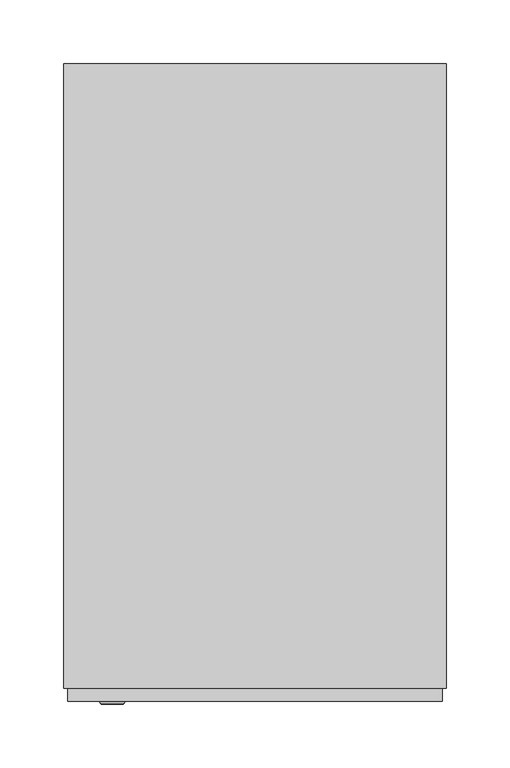
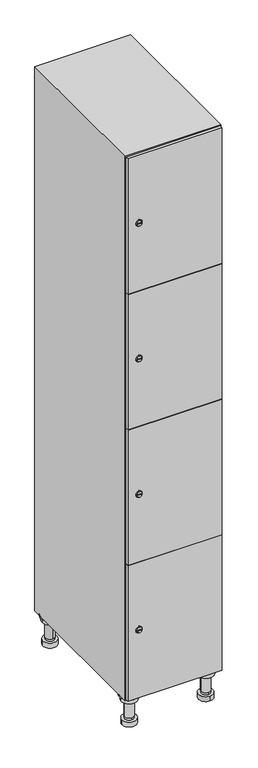
"""IFC4 building model written with IfcOpenShell, lengths in millimetres: furniture geometry."""

from ifc_helpers import new_model, si_unit, point, frame, frame_2d, origin, place, context, project, spatial, polyline, circle_curve, trimmed, segment, composite_curve, outline, extrude, faceted_brep, source, transform, mapped, element, save
from ifc_brep_helpers import plane_surface, cylinder_surface, revolved_surface, advanced_brep


def furniture_d237d1a3(model_context):
    return source(origin(), model_context, "Body", "SolidModel", [
        advanced_brep(
        [(70.0, -201.0, 22.0), (70.0, -201.5, 16.0), (70.0, -228.5, 16.0), (70.0, -229.0, 22.0), (56.0, -215.0, 22.0), (84.0, -215.0, 22.0), (70.0, -192.5, 16.0), (70.0, -237.5, 16.0), (70.0, -192.5, 0.0), (70.0, -237.5, 0.0), (84.0, -215.0, 78.0), (56.0, -215.0, 78.0), (95.0, -215.0, 78.0), (45.0, -215.0, 78.0), (100.0, -215.0, 94.0), (40.0, -215.0, 94.0), (45.0, -215.0, 94.0), (95.0, -215.0, 94.0), (100.0, -215.0, 100.0), (40.0, -215.0, 100.0)],
        [
            (0, 1),
            (1, 2, circle_curve(frame((70.0, -215.0, 16.0), z_axis=(0.0, 0.0, 1.0), x_axis=(0.0, -1.0, 0.0)), 13.5)),
            (2, 3),
            (3, 4, circle_curve(frame((70.0, -215.0, 22.0), z_axis=(0.0, 0.0, -1.0), x_axis=(0.0, -1.0, 0.0)), 14.0)),
            (4, 0, circle_curve(frame((70.0, -215.0, 22.0), z_axis=(0.0, 0.0, -1.0), x_axis=(0.0, -1.0, 0.0)), 14.0)),
            (0, 5, circle_curve(frame((70.0, -215.0, 22.0), z_axis=(0.0, 0.0, -1.0), x_axis=(0.0, 1.0, 0.0)), 14.0)),
            (5, 3, circle_curve(frame((70.0, -215.0, 22.0), z_axis=(0.0, 0.0, -1.0), x_axis=(0.0, 1.0, 0.0)), 14.0)),
            (2, 1, circle_curve(frame((70.0, -215.0, 16.0), z_axis=(0.0, 0.0, 1.0), x_axis=(0.0, 1.0, 0.0)), 13.5)),
            (6, 7, circle_curve(frame((70.0, -215.0, 16.0), z_axis=(0.0, 0.0, 1.0), x_axis=(0.0, -1.0, 0.0)), 22.5)),
            (7, 6, circle_curve(frame((70.0, -215.0, 16.0), z_axis=(0.0, 0.0, 1.0), x_axis=(0.0, -1.0, 0.0)), 22.5)),
            (8, 9, circle_curve(frame((70.0, -215.0, 0.0), z_axis=(0.0, 0.0, -1.0), x_axis=(0.0, -1.0, 0.0)), 22.5)),
            (9, 8, circle_curve(frame((70.0, -215.0, 0.0), z_axis=(0.0, 0.0, -1.0), x_axis=(0.0, -1.0, 0.0)), 22.5)),
            (6, 8),
            (9, 7),
            (5, 10),
            (10, 11, circle_curve(frame((70.0, -215.0, 78.0), z_axis=(0.0, 0.0, -1.0), x_axis=(-1.0, 0.0, 0.0)), 14.0)),
            (11, 4),
            (11, 10, circle_curve(frame((70.0, -215.0, 78.0), z_axis=(0.0, 0.0, -1.0), x_axis=(-1.0, 0.0, 0.0)), 14.0)),
            (12, 13, circle_curve(frame((70.0, -215.0, 78.0), z_axis=(0.0, 0.0, -1.0), x_axis=(-1.0, 0.0, 0.0)), 25.0)),
            (13, 12, circle_curve(frame((70.0, -215.0, 78.0), z_axis=(0.0, 0.0, -1.0), x_axis=(-1.0, 0.0, 0.0)), 25.0)),
            (14, 15, circle_curve(frame((70.0, -215.0, 94.0), z_axis=(0.0, 0.0, -1.0), x_axis=(-1.0, 0.0, 0.0)), 30.0)),
            (15, 14, circle_curve(frame((70.0, -215.0, 94.0), z_axis=(0.0, 0.0, -1.0), x_axis=(-1.0, 0.0, 0.0)), 30.0)),
            (16, 17, circle_curve(frame((70.0, -215.0, 94.0), z_axis=(0.0, 0.0, 1.0), x_axis=(-1.0, 0.0, 0.0)), 25.0)),
            (17, 16, circle_curve(frame((70.0, -215.0, 94.0), z_axis=(0.0, 0.0, 1.0), x_axis=(-1.0, 0.0, 0.0)), 25.0)),
            (18, 19, circle_curve(frame((70.0, -215.0, 100.0), z_axis=(0.0, 0.0, 1.0), x_axis=(-1.0, 0.0, 0.0)), 30.0)),
            (19, 18, circle_curve(frame((70.0, -215.0, 100.0), z_axis=(0.0, 0.0, 1.0), x_axis=(-1.0, 0.0, 0.0)), 30.0)),
            (14, 18),
            (19, 15),
            (12, 17),
            (16, 13),
        ],
        [
            revolved_surface(polyline([(70.0, -201.5, 16.0), (70.0, -201.0, 22.0)]), (70.0, -215.0, -146.0), (0.0, 0.0, 1.0)),
            plane_surface(frame((70.0, 0.0, 16.0), z_axis=(0.0, 0.0, 1.0), x_axis=(0.0, -1.0, 0.0))),
            plane_surface(frame((70.0, 0.0, 0.0), z_axis=(0.0, 0.0, -1.0), x_axis=(0.0, -1.0, 0.0))),
            cylinder_surface(frame((70.0, -215.0, 16.0), z_axis=(0.0, 0.0, 1.0), x_axis=(0.0, -1.0, 0.0)), 22.5),
            cylinder_surface(frame((70.0, -215.0, 22.0), z_axis=(0.0, 0.0, -1.0), x_axis=(-1.0, 0.0, 0.0)), 14.0),
            plane_surface(frame((70.0, 0.0, 78.0), z_axis=(0.0, 0.0, -1.0), x_axis=(0.0, -1.0, 0.0))),
            plane_surface(frame((70.0, 0.0, 94.0), z_axis=(0.0, 0.0, -1.0), x_axis=(0.0, -1.0, 0.0))),
            plane_surface(frame((70.0, 0.0, 100.0), z_axis=(0.0, 0.0, 1.0), x_axis=(0.0, -1.0, 0.0))),
            cylinder_surface(frame((70.0, -215.0, 94.0), z_axis=(0.0, 0.0, -1.0), x_axis=(-1.0, 0.0, 0.0)), 30.0),
            cylinder_surface(frame((70.0, -215.0, 78.0), z_axis=(0.0, 0.0, -1.0), x_axis=(-1.0, 0.0, 0.0)), 25.0),
        ],
        [
            (0, [[1, 2, 3, 4, 5]]),
            (0, [[-1, 6, 7, -3, 8]]),
            (1, [[9, 10], [-2, -8]]),
            (2, [[11, 12]]),
            (3, [[-9, 13, -12, 14]]),
            (3, [[-10, -14, -11, -13]]),
            (4, [[15, 16, 17, -4, -7]]),
            (4, [[-15, -6, -5, -17, 18]]),
            (5, [[19, 20], [-16, -18]]),
            (6, [[21, 22], [23, 24]]),
            (7, [[25, 26]]),
            (8, [[-21, 27, -26, 28]]),
            (8, [[-22, -28, -25, -27]]),
            (9, [[-19, 29, -23, 30]]),
            (9, [[-20, -30, -24, -29]]),
        ],
    ),
        advanced_brep(
        [(-170.0, -201.0, 22.0), (-170.0, -201.5, 16.0), (-170.0, -228.5, 16.0), (-170.0, -229.0, 22.0), (-184.0, -215.0, 22.0), (-156.0, -215.0, 22.0), (-147.5, -215.0, 0.0), (-192.5, -215.0, 0.0), (-147.5, -215.0, 16.0), (-192.5, -215.0, 16.0), (-156.0, -215.0, 78.0), (-184.0, -215.0, 78.0), (-145.0, -215.0, 78.0), (-195.0, -215.0, 78.0), (-140.0, -215.0, 94.0), (-200.0, -215.0, 94.0), (-195.0, -215.0, 94.0), (-145.0, -215.0, 94.0), (-140.0, -215.0, 100.0), (-200.0, -215.0, 100.0)],
        [
            (0, 1),
            (1, 2, circle_curve(frame((-170.0, -215.0, 16.0), z_axis=(0.0, 0.0, 1.0), x_axis=(0.0, -1.0, 0.0)), 13.5)),
            (2, 3),
            (3, 4, circle_curve(frame((-170.0, -215.0, 22.0), z_axis=(0.0, 0.0, -1.0), x_axis=(0.0, -1.0, 0.0)), 14.0)),
            (4, 0, circle_curve(frame((-170.0, -215.0, 22.0), z_axis=(0.0, 0.0, -1.0), x_axis=(0.0, -1.0, 0.0)), 14.0)),
            (0, 5, circle_curve(frame((-170.0, -215.0, 22.0), z_axis=(0.0, 0.0, -1.0), x_axis=(0.0, 1.0, 0.0)), 14.0)),
            (5, 3, circle_curve(frame((-170.0, -215.0, 22.0), z_axis=(0.0, 0.0, -1.0), x_axis=(0.0, 1.0, 0.0)), 14.0)),
            (2, 1, circle_curve(frame((-170.0, -215.0, 16.0), z_axis=(0.0, 0.0, 1.0), x_axis=(0.0, 1.0, 0.0)), 13.5)),
            (6, 7, circle_curve(frame((-170.0, -215.0, 0.0), z_axis=(0.0, 0.0, -1.0), x_axis=(-1.0, 0.0, 0.0)), 22.5)),
            (7, 6, circle_curve(frame((-170.0, -215.0, 0.0), z_axis=(0.0, 0.0, -1.0), x_axis=(-1.0, 0.0, 0.0)), 22.5)),
            (8, 9, circle_curve(frame((-170.0, -215.0, 16.0), z_axis=(0.0, 0.0, 1.0), x_axis=(-1.0, 0.0, 0.0)), 22.5)),
            (9, 8, circle_curve(frame((-170.0, -215.0, 16.0), z_axis=(0.0, 0.0, 1.0), x_axis=(-1.0, 0.0, 0.0)), 22.5)),
            (6, 8),
            (9, 7),
            (5, 10),
            (10, 11, circle_curve(frame((-170.0, -215.0, 78.0), z_axis=(0.0, 0.0, -1.0), x_axis=(-1.0, 0.0, 0.0)), 14.0)),
            (11, 4),
            (11, 10, circle_curve(frame((-170.0, -215.0, 78.0), z_axis=(0.0, 0.0, -1.0), x_axis=(-1.0, 0.0, 0.0)), 14.0)),
            (12, 13, circle_curve(frame((-170.0, -215.0, 78.0), z_axis=(0.0, 0.0, -1.0), x_axis=(-1.0, 0.0, 0.0)), 25.0)),
            (13, 12, circle_curve(frame((-170.0, -215.0, 78.0), z_axis=(0.0, 0.0, -1.0), x_axis=(-1.0, 0.0, 0.0)), 25.0)),
            (14, 15, circle_curve(frame((-170.0, -215.0, 94.0), z_axis=(0.0, 0.0, -1.0), x_axis=(-1.0, 0.0, 0.0)), 30.0)),
            (15, 14, circle_curve(frame((-170.0, -215.0, 94.0), z_axis=(0.0, 0.0, -1.0), x_axis=(-1.0, 0.0, 0.0)), 30.0)),
            (16, 17, circle_curve(frame((-170.0, -215.0, 94.0), z_axis=(0.0, 0.0, 1.0), x_axis=(-1.0, 0.0, 0.0)), 25.0)),
            (17, 16, circle_curve(frame((-170.0, -215.0, 94.0), z_axis=(0.0, 0.0, 1.0), x_axis=(-1.0, 0.0, 0.0)), 25.0)),
            (18, 19, circle_curve(frame((-170.0, -215.0, 100.0), z_axis=(0.0, 0.0, 1.0), x_axis=(-1.0, 0.0, 0.0)), 30.0)),
            (19, 18, circle_curve(frame((-170.0, -215.0, 100.0), z_axis=(0.0, 0.0, 1.0), x_axis=(-1.0, 0.0, 0.0)), 30.0)),
            (14, 18),
            (19, 15),
            (12, 17),
            (16, 13),
        ],
        [
            revolved_surface(polyline([(-170.0, -201.5, 16.0), (-170.0, -201.0, 22.0)]), (-170.0, -215.0, -146.0), (0.0, 0.0, 1.0)),
            plane_surface(frame((-170.0, 0.0, 0.0), z_axis=(0.0, 0.0, -1.0), x_axis=(0.0, -1.0, 0.0))),
            plane_surface(frame((-170.0, 0.0, 16.0), z_axis=(0.0, 0.0, 1.0), x_axis=(0.0, -1.0, 0.0))),
            cylinder_surface(frame((-170.0, -215.0, 0.0), z_axis=(0.0, 0.0, -1.0), x_axis=(-1.0, 0.0, 0.0)), 22.5),
            cylinder_surface(frame((-170.0, -215.0, 22.0), z_axis=(0.0, 0.0, -1.0), x_axis=(-1.0, 0.0, 0.0)), 14.0),
            plane_surface(frame((-170.0, 0.0, 78.0), z_axis=(0.0, 0.0, -1.0), x_axis=(0.0, -1.0, 0.0))),
            plane_surface(frame((-170.0, 0.0, 94.0), z_axis=(0.0, 0.0, -1.0), x_axis=(0.0, -1.0, 0.0))),
            plane_surface(frame((-170.0, 0.0, 100.0), z_axis=(0.0, 0.0, 1.0), x_axis=(0.0, -1.0, 0.0))),
            cylinder_surface(frame((-170.0, -215.0, 94.0), z_axis=(0.0, 0.0, -1.0), x_axis=(-1.0, 0.0, 0.0)), 30.0),
            cylinder_surface(frame((-170.0, -215.0, 78.0), z_axis=(0.0, 0.0, -1.0), x_axis=(-1.0, 0.0, 0.0)), 25.0),
        ],
        [
            (0, [[1, 2, 3, 4, 5]]),
            (0, [[-1, 6, 7, -3, 8]]),
            (1, [[9, 10]]),
            (2, [[11, 12], [-2, -8]]),
            (3, [[-9, 13, -12, 14]]),
            (3, [[-10, -14, -11, -13]]),
            (4, [[15, 16, 17, -4, -7]]),
            (4, [[-15, -6, -5, -17, 18]]),
            (5, [[19, 20], [-16, -18]]),
            (6, [[21, 22], [23, 24]]),
            (7, [[25, 26]]),
            (8, [[-21, 27, -26, 28]]),
            (8, [[-22, -28, -25, -27]]),
            (9, [[-19, 29, -23, 30]]),
            (9, [[-20, -30, -24, -29]]),
        ],
    ),
        advanced_brep(
        [(83.5, 215.0, 16.0), (84.0, 215.0, 22.0), (56.0, 215.0, 22.0), (56.5, 215.0, 16.0), (92.5, 215.0, 0.0), (47.5, 215.0, 0.0), (92.5, 215.0, 16.0), (47.5, 215.0, 16.0), (84.0, 215.0, 78.0), (56.0, 215.0, 78.0), (95.0, 215.0, 78.0), (45.0, 215.0, 78.0), (100.0, 215.0, 94.0), (40.0, 215.0, 94.0), (45.0, 215.0, 94.0), (95.0, 215.0, 94.0), (100.0, 215.0, 100.0), (40.0, 215.0, 100.0)],
        [
            (0, 1),
            (1, 2, circle_curve(frame((70.0, 215.0, 22.0), z_axis=(0.0, 0.0, -1.0), x_axis=(-1.0, 0.0, 0.0)), 14.0)),
            (2, 3),
            (3, 0, circle_curve(frame((70.0, 215.0, 16.0), z_axis=(0.0, 0.0, 1.0), x_axis=(-1.0, 0.0, 0.0)), 13.5)),
            (0, 3, circle_curve(frame((70.0, 215.0, 16.0), z_axis=(0.0, 0.0, 1.0), x_axis=(1.0, 0.0, 0.0)), 13.5)),
            (2, 1, circle_curve(frame((70.0, 215.0, 22.0), z_axis=(0.0, 0.0, -1.0), x_axis=(1.0, 0.0, 0.0)), 14.0)),
            (4, 5, circle_curve(frame((70.0, 215.0, 0.0), z_axis=(0.0, 0.0, -1.0), x_axis=(-1.0, 0.0, 0.0)), 22.5)),
            (5, 4, circle_curve(frame((70.0, 215.0, 0.0), z_axis=(0.0, 0.0, -1.0), x_axis=(-1.0, 0.0, 0.0)), 22.5)),
            (6, 7, circle_curve(frame((70.0, 215.0, 16.0), z_axis=(0.0, 0.0, 1.0), x_axis=(-1.0, 0.0, 0.0)), 22.5)),
            (7, 6, circle_curve(frame((70.0, 215.0, 16.0), z_axis=(0.0, 0.0, 1.0), x_axis=(-1.0, 0.0, 0.0)), 22.5)),
            (4, 6),
            (7, 5),
            (1, 8),
            (8, 9, circle_curve(frame((70.0, 215.0, 78.0), z_axis=(0.0, 0.0, -1.0), x_axis=(-1.0, 0.0, 0.0)), 14.0)),
            (9, 2),
            (9, 8, circle_curve(frame((70.0, 215.0, 78.0), z_axis=(0.0, 0.0, -1.0), x_axis=(-1.0, 0.0, 0.0)), 14.0)),
            (10, 11, circle_curve(frame((70.0, 215.0, 78.0), z_axis=(0.0, 0.0, -1.0), x_axis=(-1.0, 0.0, 0.0)), 25.0)),
            (11, 10, circle_curve(frame((70.0, 215.0, 78.0), z_axis=(0.0, 0.0, -1.0), x_axis=(-1.0, 0.0, 0.0)), 25.0)),
            (12, 13, circle_curve(frame((70.0, 215.0, 94.0), z_axis=(0.0, 0.0, -1.0), x_axis=(-1.0, 0.0, 0.0)), 30.0)),
            (13, 12, circle_curve(frame((70.0, 215.0, 94.0), z_axis=(0.0, 0.0, -1.0), x_axis=(-1.0, 0.0, 0.0)), 30.0)),
            (14, 15, circle_curve(frame((70.0, 215.0, 94.0), z_axis=(0.0, 0.0, 1.0), x_axis=(-1.0, 0.0, 0.0)), 25.0)),
            (15, 14, circle_curve(frame((70.0, 215.0, 94.0), z_axis=(0.0, 0.0, 1.0), x_axis=(-1.0, 0.0, 0.0)), 25.0)),
            (16, 17, circle_curve(frame((70.0, 215.0, 100.0), z_axis=(0.0, 0.0, 1.0), x_axis=(-1.0, 0.0, 0.0)), 30.0)),
            (17, 16, circle_curve(frame((70.0, 215.0, 100.0), z_axis=(0.0, 0.0, 1.0), x_axis=(-1.0, 0.0, 0.0)), 30.0)),
            (12, 16),
            (17, 13),
            (10, 15),
            (14, 11),
        ],
        [
            revolved_surface(polyline([(83.5, 215.0, 16.0), (84.0, 215.0, 22.0)]), (70.0, 215.0, -146.0), (0.0, 0.0, 1.0)),
            plane_surface(frame((70.0, 0.0, 0.0), z_axis=(0.0, 0.0, -1.0), x_axis=(0.0, -1.0, 0.0))),
            plane_surface(frame((70.0, 0.0, 16.0), z_axis=(0.0, 0.0, 1.0), x_axis=(0.0, -1.0, 0.0))),
            cylinder_surface(frame((70.0, 215.0, 0.0), z_axis=(0.0, 0.0, -1.0), x_axis=(-1.0, 0.0, 0.0)), 22.5),
            cylinder_surface(frame((70.0, 215.0, 22.0), z_axis=(0.0, 0.0, -1.0), x_axis=(-1.0, 0.0, 0.0)), 14.0),
            plane_surface(frame((70.0, 0.0, 78.0), z_axis=(0.0, 0.0, -1.0), x_axis=(0.0, -1.0, 0.0))),
            plane_surface(frame((70.0, 0.0, 94.0), z_axis=(0.0, 0.0, -1.0), x_axis=(0.0, -1.0, 0.0))),
            plane_surface(frame((70.0, 0.0, 100.0), z_axis=(0.0, 0.0, 1.0), x_axis=(0.0, -1.0, 0.0))),
            cylinder_surface(frame((70.0, 215.0, 94.0), z_axis=(0.0, 0.0, -1.0), x_axis=(-1.0, 0.0, 0.0)), 30.0),
            cylinder_surface(frame((70.0, 215.0, 78.0), z_axis=(0.0, 0.0, -1.0), x_axis=(-1.0, 0.0, 0.0)), 25.0),
        ],
        [
            (0, [[1, 2, 3, 4]]),
            (0, [[-1, 5, -3, 6]]),
            (1, [[7, 8]]),
            (2, [[9, 10], [-4, -5]]),
            (3, [[-7, 11, -10, 12]]),
            (3, [[-8, -12, -9, -11]]),
            (4, [[13, 14, 15, -2]]),
            (4, [[-13, -6, -15, 16]]),
            (5, [[17, 18], [-14, -16]]),
            (6, [[19, 20], [21, 22]]),
            (7, [[23, 24]]),
            (8, [[-19, 25, -24, 26]]),
            (8, [[-20, -26, -23, -25]]),
            (9, [[-17, 27, -21, 28]]),
            (9, [[-18, -28, -22, -27]]),
        ],
    ),
        advanced_brep(
        [(-156.5, 215.0, 16.0), (-156.0, 215.0, 22.0), (-170.0, 201.0, 22.0), (-184.0, 215.0, 22.0), (-183.5, 215.0, 16.0), (-170.0, 229.0, 22.0), (-147.5, 215.0, 0.0), (-192.5, 215.0, 0.0), (-147.5, 215.0, 16.0), (-192.5, 215.0, 16.0), (-170.0, 229.0, 78.0), (-170.0, 201.0, 78.0), (-145.0, 215.0, 78.0), (-195.0, 215.0, 78.0), (-140.0, 215.0, 94.0), (-200.0, 215.0, 94.0), (-195.0, 215.0, 94.0), (-145.0, 215.0, 94.0), (-140.0, 215.0, 100.0), (-200.0, 215.0, 100.0)],
        [
            (0, 1),
            (1, 2, circle_curve(frame((-170.0, 215.0, 22.0), z_axis=(0.0, 0.0, -1.0), x_axis=(-1.0, 0.0, 0.0)), 14.0)),
            (2, 3, circle_curve(frame((-170.0, 215.0, 22.0), z_axis=(0.0, 0.0, -1.0), x_axis=(-1.0, 0.0, 0.0)), 14.0)),
            (3, 4),
            (4, 0, circle_curve(frame((-170.0, 215.0, 16.0), z_axis=(0.0, 0.0, 1.0), x_axis=(-1.0, 0.0, 0.0)), 13.5)),
            (0, 4, circle_curve(frame((-170.0, 215.0, 16.0), z_axis=(0.0, 0.0, 1.0), x_axis=(1.0, 0.0, 0.0)), 13.5)),
            (3, 5, circle_curve(frame((-170.0, 215.0, 22.0), z_axis=(0.0, 0.0, -1.0), x_axis=(1.0, 0.0, 0.0)), 14.0)),
            (5, 1, circle_curve(frame((-170.0, 215.0, 22.0), z_axis=(0.0, 0.0, -1.0), x_axis=(1.0, 0.0, 0.0)), 14.0)),
            (6, 7, circle_curve(frame((-170.0, 215.0, 0.0), z_axis=(0.0, 0.0, -1.0), x_axis=(-1.0, 0.0, 0.0)), 22.5)),
            (7, 6, circle_curve(frame((-170.0, 215.0, 0.0), z_axis=(0.0, 0.0, -1.0), x_axis=(-1.0, 0.0, 0.0)), 22.5)),
            (8, 9, circle_curve(frame((-170.0, 215.0, 16.0), z_axis=(0.0, 0.0, 1.0), x_axis=(-1.0, 0.0, 0.0)), 22.5)),
            (9, 8, circle_curve(frame((-170.0, 215.0, 16.0), z_axis=(0.0, 0.0, 1.0), x_axis=(-1.0, 0.0, 0.0)), 22.5)),
            (6, 8),
            (9, 7),
            (10, 5),
            (2, 11),
            (11, 10, circle_curve(frame((-170.0, 215.0, 78.0), z_axis=(0.0, 0.0, -1.0), x_axis=(0.0, -1.0, 0.0)), 14.0)),
            (10, 11, circle_curve(frame((-170.0, 215.0, 78.0), z_axis=(0.0, 0.0, -1.0), x_axis=(0.0, -1.0, 0.0)), 14.0)),
            (12, 13, circle_curve(frame((-170.0, 215.0, 78.0), z_axis=(0.0, 0.0, -1.0), x_axis=(-1.0, 0.0, 0.0)), 25.0)),
            (13, 12, circle_curve(frame((-170.0, 215.0, 78.0), z_axis=(0.0, 0.0, -1.0), x_axis=(-1.0, 0.0, 0.0)), 25.0)),
            (14, 15, circle_curve(frame((-170.0, 215.0, 94.0), z_axis=(0.0, 0.0, -1.0), x_axis=(-1.0, 0.0, 0.0)), 30.0)),
            (15, 14, circle_curve(frame((-170.0, 215.0, 94.0), z_axis=(0.0, 0.0, -1.0), x_axis=(-1.0, 0.0, 0.0)), 30.0)),
            (16, 17, circle_curve(frame((-170.0, 215.0, 94.0), z_axis=(0.0, 0.0, 1.0), x_axis=(-1.0, 0.0, 0.0)), 25.0)),
            (17, 16, circle_curve(frame((-170.0, 215.0, 94.0), z_axis=(0.0, 0.0, 1.0), x_axis=(-1.0, 0.0, 0.0)), 25.0)),
            (18, 19, circle_curve(frame((-170.0, 215.0, 100.0), z_axis=(0.0, 0.0, 1.0), x_axis=(-1.0, 0.0, 0.0)), 30.0)),
            (19, 18, circle_curve(frame((-170.0, 215.0, 100.0), z_axis=(0.0, 0.0, 1.0), x_axis=(-1.0, 0.0, 0.0)), 30.0)),
            (14, 18),
            (19, 15),
            (12, 17),
            (16, 13),
        ],
        [
            revolved_surface(polyline([(-156.5, 215.0, 16.0), (-156.0, 215.0, 22.0)]), (-170.0, 215.0, -146.0), (0.0, 0.0, 1.0)),
            plane_surface(frame((-170.0, 0.0, 0.0), z_axis=(0.0, 0.0, -1.0), x_axis=(0.0, -1.0, 0.0))),
            plane_surface(frame((-170.0, 0.0, 16.0), z_axis=(0.0, 0.0, 1.0), x_axis=(0.0, -1.0, 0.0))),
            cylinder_surface(frame((-170.0, 215.0, 0.0), z_axis=(0.0, 0.0, -1.0), x_axis=(-1.0, 0.0, 0.0)), 22.5),
            cylinder_surface(frame((-170.0, 215.0, 78.0), z_axis=(0.0, 0.0, 1.0), x_axis=(0.0, -1.0, 0.0)), 14.0),
            plane_surface(frame((-170.0, 0.0, 78.0), z_axis=(0.0, 0.0, -1.0), x_axis=(0.0, -1.0, 0.0))),
            plane_surface(frame((-170.0, 0.0, 94.0), z_axis=(0.0, 0.0, -1.0), x_axis=(0.0, -1.0, 0.0))),
            plane_surface(frame((-170.0, 0.0, 100.0), z_axis=(0.0, 0.0, 1.0), x_axis=(0.0, -1.0, 0.0))),
            cylinder_surface(frame((-170.0, 215.0, 94.0), z_axis=(0.0, 0.0, -1.0), x_axis=(-1.0, 0.0, 0.0)), 30.0),
            cylinder_surface(frame((-170.0, 215.0, 78.0), z_axis=(0.0, 0.0, -1.0), x_axis=(-1.0, 0.0, 0.0)), 25.0),
        ],
        [
            (0, [[1, 2, 3, 4, 5]]),
            (0, [[-1, 6, -4, 7, 8]]),
            (1, [[9, 10]]),
            (2, [[11, 12], [-5, -6]]),
            (3, [[-9, 13, -12, 14]]),
            (3, [[-10, -14, -11, -13]]),
            (4, [[15, -7, -3, 16, 17]]),
            (4, [[-15, 18, -16, -2, -8]]),
            (5, [[19, 20], [-17, -18]]),
            (6, [[21, 22], [23, 24]]),
            (7, [[25, 26]]),
            (8, [[-21, 27, -26, 28]]),
            (8, [[-22, -28, -25, -27]]),
            (9, [[-19, 29, -23, 30]]),
            (9, [[-20, -30, -24, -29]]),
        ],
    ),
        extrude(outline(composite_curve([segment(trimmed(circle_curve(frame_2d((327.25, -188.7989466)), 7.0), [point((334.25, -188.7989466))], [point((320.25, -188.7989466))], False, "CARTESIAN"), True, "CONTINUOUS"), segment(polyline([(320.25, -188.7989466), (320.25, -160.7989466)]), True, "CONTINUOUS"), segment(trimmed(circle_curve(frame_2d((327.25, -160.7989466)), 7.0), [point((320.25, -160.7989466))], [point((334.25, -160.7989466))], False, "CARTESIAN"), True, "CONTINUOUS"), segment(polyline([(334.25, -160.7989466), (334.25, -188.7989466)]), True, "CONTINUOUS")], self_intersect=False)), frame((0.0, -245.0, 0.0), z_axis=(0.0, 1.0, 0.0), x_axis=(0.0, 0.0, 1.0)), (0.0, 0.0, 1.0), 2.0),
        advanced_brep(
        [(-153.5, -257.2, 327.25), (-170.5, -257.2, 327.25), (-167.0, -257.2, 326.0), (-167.0, -257.2, 328.5), (-157.0, -257.2, 328.5), (-157.0, -257.2, 326.0), (-151.5, -255.0, 327.25), (-172.5, -255.0, 327.25), (-167.0, -255.0, 328.5), (-167.0, -255.0, 326.0), (-157.0, -255.0, 326.0), (-157.0, -255.0, 328.5)],
        [
            (0, 1, circle_curve(frame((-162.0, -257.2, 327.25), z_axis=(0.0, -1.0, 0.0), x_axis=(1.0, 0.0, 0.0)), 8.5)),
            (1, 0, circle_curve(frame((-162.0, -257.2, 327.25), z_axis=(0.0, -1.0, 0.0), x_axis=(-1.0, 0.0, 0.0)), 8.5)),
            (2, 3),
            (3, 4),
            (4, 5),
            (5, 2),
            (6, 7, circle_curve(frame((-162.0, -255.0, 327.25), z_axis=(0.0, 1.0, 0.0), x_axis=(-1.0, 0.0, 0.0)), 10.5)),
            (7, 6, circle_curve(frame((-162.0, -255.0, 327.25), z_axis=(0.0, 1.0, 0.0), x_axis=(1.0, 0.0, 0.0)), 10.5)),
            (8, 9),
            (9, 10),
            (10, 11),
            (11, 8),
            (0, 6),
            (7, 1),
            (8, 3),
            (2, 9),
            (11, 4),
            (10, 5),
        ],
        [
            plane_surface(frame((-162.0, -257.2, 327.25), z_axis=(0.0, -1.0, 0.0), x_axis=(0.0, 0.0, 1.0))),
            plane_surface(frame((-162.0, -255.0, 327.25), z_axis=(0.0, 1.0, 0.0), x_axis=(0.0, 0.0, 1.0))),
            revolved_surface(polyline([(-153.5, -257.2, 327.25), (-151.5, -255.0, 327.25)]), (-162.0, -266.55, 327.25), (0.0, 1.0, 0.0)),
            revolved_surface(polyline([(-170.5, -257.2, 327.25), (-172.5, -255.0, 327.25)]), (-162.0, -266.55, 327.25), (0.0, 1.0, 0.0)),
            plane_surface(frame((-167.0, -255.0, 326.0), z_axis=(1.0, 0.0, 0.0), x_axis=(0.0, -1.0, 0.0))),
            plane_surface(frame((-167.0, -255.0, 328.5), z_axis=(0.0, 0.0, -1.0), x_axis=(0.0, -1.0, 0.0))),
            plane_surface(frame((-157.0, -255.0, 328.5), z_axis=(-1.0, 0.0, 0.0), x_axis=(0.0, -1.0, 0.0))),
            plane_surface(frame((-157.0, -255.0, 326.0), z_axis=(0.0, 0.0, 1.0), x_axis=(0.0, -1.0, 0.0))),
        ],
        [
            (0, [[1, 2], [3, 4, 5, 6]]),
            (1, [[7, 8], [9, 10, 11, 12]]),
            (2, [[-1, 13, -8, 14]]),
            (3, [[-2, -14, -7, -13]]),
            (4, [[15, -3, 16, -9]]),
            (5, [[-15, -12, 17, -4]]),
            (6, [[-17, -11, 18, -5]]),
            (7, [[-16, -6, -18, -10]]),
        ],
    ),
        extrude(outline(composite_curve([segment(trimmed(circle_curve(frame_2d((775.75, -188.7989466)), 7.0), [point((782.75, -188.7989466))], [point((768.75, -188.7989466))], False, "CARTESIAN"), True, "CONTINUOUS"), segment(polyline([(768.75, -188.7989466), (768.75, -160.7989466)]), True, "CONTINUOUS"), segment(trimmed(circle_curve(frame_2d((775.75, -160.7989466)), 7.0), [point((768.75, -160.7989466))], [point((782.75, -160.7989466))], False, "CARTESIAN"), True, "CONTINUOUS"), segment(polyline([(782.75, -160.7989466), (782.75, -188.7989466)]), True, "CONTINUOUS")], self_intersect=False)), frame((0.0, -245.0, 0.0), z_axis=(0.0, 1.0, 0.0), x_axis=(0.0, 0.0, 1.0)), (0.0, 0.0, 1.0), 2.0),
        advanced_brep(
        [(-153.5, -257.2, 775.75), (-170.5, -257.2, 775.75), (-167.0, -257.2, 774.5), (-167.0, -257.2, 777.0), (-157.0, -257.2, 777.0), (-157.0, -257.2, 774.5), (-151.5, -255.0, 775.75), (-172.5, -255.0, 775.75), (-167.0, -255.0, 777.0), (-167.0, -255.0, 774.5), (-157.0, -255.0, 774.5), (-157.0, -255.0, 777.0)],
        [
            (0, 1, circle_curve(frame((-162.0, -257.2, 775.75), z_axis=(0.0, -1.0, 0.0), x_axis=(1.0, 0.0, 0.0)), 8.5)),
            (1, 0, circle_curve(frame((-162.0, -257.2, 775.75), z_axis=(0.0, -1.0, 0.0), x_axis=(-1.0, 0.0, 0.0)), 8.5)),
            (2, 3),
            (3, 4),
            (4, 5),
            (5, 2),
            (6, 7, circle_curve(frame((-162.0, -255.0, 775.75), z_axis=(0.0, 1.0, 0.0), x_axis=(-1.0, 0.0, 0.0)), 10.5)),
            (7, 6, circle_curve(frame((-162.0, -255.0, 775.75), z_axis=(0.0, 1.0, 0.0), x_axis=(1.0, 0.0, 0.0)), 10.5)),
            (8, 9),
            (9, 10),
            (10, 11),
            (11, 8),
            (0, 6),
            (7, 1),
            (8, 3),
            (2, 9),
            (11, 4),
            (10, 5),
        ],
        [
            plane_surface(frame((-162.0, -257.2, 775.75), z_axis=(0.0, -1.0, 0.0), x_axis=(0.0, 0.0, 1.0))),
            plane_surface(frame((-162.0, -255.0, 775.75), z_axis=(0.0, 1.0, 0.0), x_axis=(0.0, 0.0, 1.0))),
            revolved_surface(polyline([(-153.5, -257.2, 775.75), (-151.5, -255.0, 775.75)]), (-162.0, -266.55, 775.75), (0.0, 1.0, 0.0)),
            revolved_surface(polyline([(-170.5, -257.2, 775.75), (-172.5, -255.0, 775.75)]), (-162.0, -266.55, 775.75), (0.0, 1.0, 0.0)),
            plane_surface(frame((-167.0, -255.0, 774.5), z_axis=(1.0, 0.0, 0.0), x_axis=(0.0, -1.0, 0.0))),
            plane_surface(frame((-167.0, -255.0, 777.0), z_axis=(0.0, 0.0, -1.0), x_axis=(0.0, -1.0, 0.0))),
            plane_surface(frame((-157.0, -255.0, 777.0), z_axis=(-1.0, 0.0, 0.0), x_axis=(0.0, -1.0, 0.0))),
            plane_surface(frame((-157.0, -255.0, 774.5), z_axis=(0.0, 0.0, 1.0), x_axis=(0.0, -1.0, 0.0))),
        ],
        [
            (0, [[1, 2], [3, 4, 5, 6]]),
            (1, [[7, 8], [9, 10, 11, 12]]),
            (2, [[-1, 13, -8, 14]]),
            (3, [[-2, -14, -7, -13]]),
            (4, [[15, -3, 16, -9]]),
            (5, [[-15, -12, 17, -4]]),
            (6, [[-17, -11, 18, -5]]),
            (7, [[-16, -6, -18, -10]]),
        ],
    ),
        extrude(outline(composite_curve([segment(trimmed(circle_curve(frame_2d((1224.25, -188.7989466)), 7.0), [point((1231.25, -188.7989466))], [point((1217.25, -188.7989466))], False, "CARTESIAN"), True, "CONTINUOUS"), segment(polyline([(1217.25, -188.7989466), (1217.25, -160.7989466)]), True, "CONTINUOUS"), segment(trimmed(circle_curve(frame_2d((1224.25, -160.7989466)), 7.0), [point((1217.25, -160.7989466))], [point((1231.25, -160.7989466))], False, "CARTESIAN"), True, "CONTINUOUS"), segment(polyline([(1231.25, -160.7989466), (1231.25, -188.7989466)]), True, "CONTINUOUS")], self_intersect=False)), frame((0.0, -245.0, 0.0), z_axis=(0.0, 1.0, 0.0), x_axis=(0.0, 0.0, 1.0)), (0.0, 0.0, 1.0), 2.0),
        advanced_brep(
        [(-153.5, -257.2, 1224.25), (-170.5, -257.2, 1224.25), (-167.0, -257.2, 1223.0), (-167.0, -257.2, 1225.5), (-157.0, -257.2, 1225.5), (-157.0, -257.2, 1223.0), (-151.5, -255.0, 1224.25), (-172.5, -255.0, 1224.25), (-167.0, -255.0, 1225.5), (-167.0, -255.0, 1223.0), (-157.0, -255.0, 1223.0), (-157.0, -255.0, 1225.5)],
        [
            (0, 1, circle_curve(frame((-162.0, -257.2, 1224.25), z_axis=(0.0, -1.0, 0.0), x_axis=(1.0, 0.0, 0.0)), 8.5)),
            (1, 0, circle_curve(frame((-162.0, -257.2, 1224.25), z_axis=(0.0, -1.0, 0.0), x_axis=(-1.0, 0.0, 0.0)), 8.5)),
            (2, 3),
            (3, 4),
            (4, 5),
            (5, 2),
            (6, 7, circle_curve(frame((-162.0, -255.0, 1224.25), z_axis=(0.0, 1.0, 0.0), x_axis=(-1.0, 0.0, 0.0)), 10.5)),
            (7, 6, circle_curve(frame((-162.0, -255.0, 1224.25), z_axis=(0.0, 1.0, 0.0), x_axis=(1.0, 0.0, 0.0)), 10.5)),
            (8, 9),
            (9, 10),
            (10, 11),
            (11, 8),
            (0, 6),
            (7, 1),
            (8, 3),
            (2, 9),
            (11, 4),
            (10, 5),
        ],
        [
            plane_surface(frame((-162.0, -257.2, 1224.25), z_axis=(0.0, -1.0, 0.0), x_axis=(0.0, 0.0, 1.0))),
            plane_surface(frame((-162.0, -255.0, 1224.25), z_axis=(0.0, 1.0, 0.0), x_axis=(0.0, 0.0, 1.0))),
            revolved_surface(polyline([(-153.5, -257.2, 1224.25), (-151.5, -255.0, 1224.25)]), (-162.0, -266.55, 1224.25), (0.0, 1.0, 0.0)),
            revolved_surface(polyline([(-170.5, -257.2, 1224.25), (-172.5, -255.0, 1224.25)]), (-162.0, -266.55, 1224.25), (0.0, 1.0, 0.0)),
            plane_surface(frame((-167.0, -255.0, 1223.0), z_axis=(1.0, 0.0, 0.0), x_axis=(0.0, -1.0, 0.0))),
            plane_surface(frame((-167.0, -255.0, 1225.5), z_axis=(0.0, 0.0, -1.0), x_axis=(0.0, -1.0, 0.0))),
            plane_surface(frame((-157.0, -255.0, 1225.5), z_axis=(-1.0, 0.0, 0.0), x_axis=(0.0, -1.0, 0.0))),
            plane_surface(frame((-157.0, -255.0, 1223.0), z_axis=(0.0, 0.0, 1.0), x_axis=(0.0, -1.0, 0.0))),
        ],
        [
            (0, [[1, 2], [3, 4, 5, 6]]),
            (1, [[7, 8], [9, 10, 11, 12]]),
            (2, [[-1, 13, -8, 14]]),
            (3, [[-2, -14, -7, -13]]),
            (4, [[15, -3, 16, -9]]),
            (5, [[-15, -12, 17, -4]]),
            (6, [[-17, -11, 18, -5]]),
            (7, [[-16, -6, -18, -10]]),
        ],
    ),
        extrude(outline(composite_curve([segment(trimmed(circle_curve(frame_2d((1672.75, -188.7989466)), 7.0), [point((1679.75, -188.7989466))], [point((1665.75, -188.7989466))], False, "CARTESIAN"), True, "CONTINUOUS"), segment(polyline([(1665.75, -188.7989466), (1665.75, -160.7989466)]), True, "CONTINUOUS"), segment(trimmed(circle_curve(frame_2d((1672.75, -160.7989466)), 7.0), [point((1665.75, -160.7989466))], [point((1679.75, -160.7989466))], False, "CARTESIAN"), True, "CONTINUOUS"), segment(polyline([(1679.75, -160.7989466), (1679.75, -188.7989466)]), True, "CONTINUOUS")], self_intersect=False)), frame((0.0, -245.0, 0.0), z_axis=(0.0, 1.0, 0.0), x_axis=(0.0, 0.0, 1.0)), (0.0, 0.0, 1.0), 2.0),
        advanced_brep(
        [(-153.5, -257.2, 1672.75), (-170.5, -257.2, 1672.75), (-167.0, -257.2, 1671.5), (-167.0, -257.2, 1674.0), (-157.0, -257.2, 1674.0), (-157.0, -257.2, 1671.5), (-151.5, -255.0, 1672.75), (-172.5, -255.0, 1672.75), (-167.0, -255.0, 1674.0), (-167.0, -255.0, 1671.5), (-157.0, -255.0, 1671.5), (-157.0, -255.0, 1674.0)],
        [
            (0, 1, circle_curve(frame((-162.0, -257.2, 1672.75), z_axis=(0.0, -1.0, 0.0), x_axis=(1.0, 0.0, 0.0)), 8.5)),
            (1, 0, circle_curve(frame((-162.0, -257.2, 1672.75), z_axis=(0.0, -1.0, 0.0), x_axis=(-1.0, 0.0, 0.0)), 8.5)),
            (2, 3),
            (3, 4),
            (4, 5),
            (5, 2),
            (6, 7, circle_curve(frame((-162.0, -255.0, 1672.75), z_axis=(0.0, 1.0, 0.0), x_axis=(-1.0, 0.0, 0.0)), 10.5)),
            (7, 6, circle_curve(frame((-162.0, -255.0, 1672.75), z_axis=(0.0, 1.0, 0.0), x_axis=(1.0, 0.0, 0.0)), 10.5)),
            (8, 9),
            (9, 10),
            (10, 11),
            (11, 8),
            (0, 6),
            (7, 1),
            (8, 3),
            (2, 9),
            (11, 4),
            (10, 5),
        ],
        [
            plane_surface(frame((-162.0, -257.2, 1672.75), z_axis=(0.0, -1.0, 0.0), x_axis=(0.0, 0.0, 1.0))),
            plane_surface(frame((-162.0, -255.0, 1672.75), z_axis=(0.0, 1.0, 0.0), x_axis=(0.0, 0.0, 1.0))),
            revolved_surface(polyline([(-153.5, -257.2, 1672.75), (-151.5, -255.0, 1672.75)]), (-162.0, -266.55, 1672.75), (0.0, 1.0, 0.0)),
            revolved_surface(polyline([(-170.5, -257.2, 1672.75), (-172.5, -255.0, 1672.75)]), (-162.0, -266.55, 1672.75), (0.0, 1.0, 0.0)),
            plane_surface(frame((-167.0, -255.0, 1671.5), z_axis=(1.0, 0.0, 0.0), x_axis=(0.0, -1.0, 0.0))),
            plane_surface(frame((-167.0, -255.0, 1674.0), z_axis=(0.0, 0.0, -1.0), x_axis=(0.0, -1.0, 0.0))),
            plane_surface(frame((-157.0, -255.0, 1674.0), z_axis=(-1.0, 0.0, 0.0), x_axis=(0.0, -1.0, 0.0))),
            plane_surface(frame((-157.0, -255.0, 1671.5), z_axis=(0.0, 0.0, 1.0), x_axis=(0.0, -1.0, 0.0))),
        ],
        [
            (0, [[1, 2], [3, 4, 5, 6]]),
            (1, [[7, 8], [9, 10, 11, 12]]),
            (2, [[-1, 13, -8, 14]]),
            (3, [[-2, -14, -7, -13]]),
            (4, [[15, -3, 16, -9]]),
            (5, [[-15, -12, 17, -4]]),
            (6, [[-17, -11, 18, -5]]),
            (7, [[-16, -6, -18, -10]]),
        ],
    ),
        extrude(outline(polyline([(97.0, -245.0), (97.0, -255.0), (-197.0, -255.0), (-197.0, -245.0), (97.0, -245.0)])), frame((0.0, 0.0, 551.0), z_axis=(0.0, 0.0, 1.0), x_axis=(1.0, 0.0, 0.0)), (0.0, 0.0, 1.0), 448.5),
        extrude(outline(polyline([(97.0, -245.0), (97.0, -255.0), (-197.0, -255.0), (-197.0, -245.0), (97.0, -245.0)])), frame((0.0, 0.0, 1000.5), z_axis=(0.0, 0.0, 1.0), x_axis=(1.0, 0.0, 0.0)), (0.0, 0.0, 1.0), 447.5),
        extrude(outline(polyline([(-197.0, -255.0), (-197.0, -245.0), (97.0, -245.0), (97.0, -255.0), (-197.0, -255.0)])), frame((0.0, 0.0, 1449.0), z_axis=(0.0, 0.0, 1.0), x_axis=(1.0, 0.0, 0.0)), (0.0, 0.0, 1.0), 448.0),
        extrude(outline(polyline([(97.0, -245.0), (97.0, -255.0), (-197.0, -255.0), (-197.0, -245.0), (97.0, -245.0)])), frame((0.0, 0.0, 103.0), z_axis=(0.0, 0.0, 1.0), x_axis=(1.0, 0.0, 0.0)), (0.0, 0.0, 1.0), 449.0),
        extrude(outline(polyline([(90.0, 241.0), (90.0, -235.0), (-190.0, -235.0), (-190.0, 241.0), (90.0, 241.0)])), frame((0.0, 0.0, 1440.0), z_axis=(0.0, 0.0, 1.0), x_axis=(1.0, 0.0, 0.0)), (0.0, 0.0, 1.0), 10.0),
        extrude(outline(polyline([(90.0, 241.0), (90.0, -235.0), (-190.0, -235.0), (-190.0, 241.0), (90.0, 241.0)])), frame((0.0, 0.0, 995.0), z_axis=(0.0, 0.0, 1.0), x_axis=(1.0, 0.0, 0.0)), (0.0, 0.0, 1.0), 10.0),
        extrude(outline(polyline([(90.0, 241.0), (90.0, -235.0), (-190.0, -235.0), (-190.0, 241.0), (90.0, 241.0)])), frame((0.0, 0.0, 550.0), z_axis=(0.0, 0.0, 1.0), x_axis=(1.0, 0.0, 0.0)), (0.0, 0.0, 1.0), 10.0),
        faceted_brep([(100.0, -245.0, 100.0), (100.0, -245.0, 1900.0), (-200.0, -245.0, 1900.0), (-200.0, -245.0, 100.0), (90.0, -245.0, 1890.0), (90.0, -245.0, 110.0), (-190.0, -245.0, 110.0), (-190.0, -245.0, 1890.0), (100.0, 245.0, 100.0), (-200.0, 245.0, 100.0), (100.0, 245.0, 1900.0), (-200.0, 245.0, 1900.0), (90.0, 241.0, 1890.0), (90.0, 241.0, 110.0), (-200.0, 245.0, 1890.0), (-190.0, 241.0, 1890.0), (-190.0, 241.0, 110.0)], [[[0, 1, 2, 3], [4, 5, 6, 7]], [[8, 0, 3, 9]], [[1, 0, 8, 10]], [[1, 10, 11, 2]], [[4, 12, 13, 5]], [[9, 3, 2, 11, 14]], [[10, 8, 9, 14, 11]], [[12, 15, 16, 13]], [[15, 7, 6, 16]], [[4, 7, 15, 12]], [[6, 5, 13, 16]]]),
    ])


if __name__ == "__main__":
    model = new_model("IFC4")
    model_context = context("Model", 3, world=origin())
    ifc_project = project(units=[si_unit("LENGTHUNIT", "METRE", prefix="MILLI")], contexts=[model_context])
    site = spatial("IfcSite", under=ifc_project)
    building = spatial("IfcBuilding", under=site)
    placement = place(None, origin())
    furniture_shape = furniture_d237d1a3(model_context)
    element("IfcFurniture", 1, at=placement, inside=building, context=model_context, shape_type="MappedRepresentation", body=[
        mapped(furniture_shape, transform((0.0, 0.0, 0.0), x_axis=(1.0, 0.0, 0.0), y_axis=(0.0, 1.0, 0.0), z_axis=(0.0, 0.0, 1.0))),
    ])
    save(model, "model.ifc")
